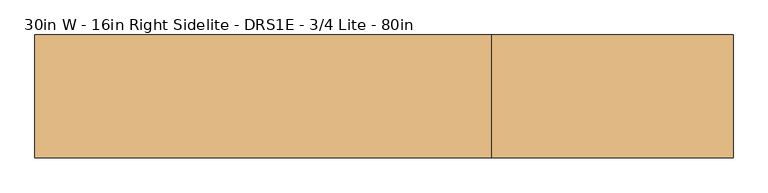
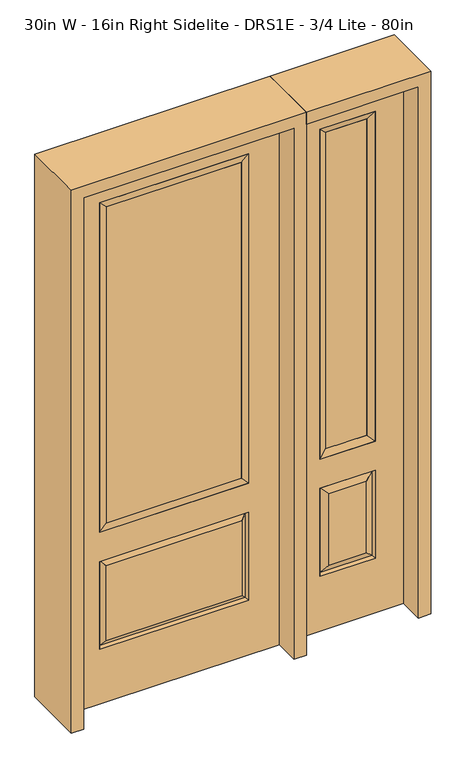
"""IFC4 building model written with IfcOpenShell, lengths in millimetres: door geometry, 30in W - 16in Right Sidelite - DRS1E - 3/4 Lite - 80in."""

from ifc_helpers import new_model, si_unit, frame, origin, place, context, project, spatial, polyline, outline, extrude, faceted_brep, source, transform, mapped, element, save


def door_30in_w_16in_right_sidelite_drs1e_3_4_lite_80in_d333917b(model_context):
    return source(origin(), model_context, "Body", "SolidModel", [
        faceted_brep([(425.45, -22.225, 0.0), (831.85, -22.225, 0.0), (831.85, -22.225, 2032.0), (425.45, -22.225, 2032.0), (728.98, -22.225, 1919.224), (728.98, -22.225, 657.098), (528.32, -22.225, 657.098), (528.32, -22.225, 1919.224), (728.98, -22.225, 209.55), (528.32, -22.225, 209.55), (528.32, -22.225, 546.1), (728.98, -22.225, 546.1), (560.0351001, -22.225, 241.2651001), (697.2648999, -22.225, 241.2651001), (697.2648999, -22.225, 514.3848999), (560.0351001, -22.225, 514.3848999), (425.45, 22.225, 0.0), (425.45, 22.225, 2032.0), (831.85, 22.225, 2032.0), (831.85, 22.225, 0.0), (728.98, 22.225, 1919.224), (528.32, 22.225, 1919.224), (528.32, 22.225, 657.098), (728.98, 22.225, 657.098), (528.32, 22.225, 209.55), (728.98, 22.225, 209.55), (728.98, 22.225, 546.1), (528.32, 22.225, 546.1), (697.2648999, 22.225, 241.2651001), (560.0351001, 22.225, 241.2651001), (560.0351001, 22.225, 514.3848999), (697.2648999, 22.225, 514.3848999), (721.8711499, 12.7912373, 216.6588501), (535.4288501, 12.7912373, 216.6588501), (535.4288501, 12.7912373, 538.9911499), (721.8711499, 12.7912373, 538.9911499), (535.4288501, -12.7912373, 216.6588501), (721.8711499, -12.7912373, 216.6588501), (535.4288501, -12.7912373, 538.9911499), (721.8711499, -12.7912373, 538.9911499)], [[[0, 1, 2, 3], [4, 5, 6, 7], [8, 9, 10, 11]], [[12, 13, 14, 15]], [[16, 17, 18, 19], [20, 21, 22, 23], [24, 25, 26, 27]], [[28, 29, 30, 31]], [[1, 0, 16, 19]], [[2, 1, 19, 18]], [[3, 2, 18, 17]], [[0, 3, 17, 16]], [[5, 4, 20, 23]], [[6, 5, 23, 22]], [[7, 6, 22, 21]], [[4, 7, 21, 20]], [[32, 33, 29, 28]], [[33, 32, 25, 24]], [[29, 33, 34, 30]], [[33, 24, 27, 34]], [[30, 34, 35, 31]], [[34, 27, 26, 35]], [[32, 28, 31, 35]], [[25, 32, 35, 26]], [[12, 36, 37, 13]], [[37, 36, 9, 8]], [[36, 12, 15, 38]], [[9, 36, 38, 10]], [[38, 15, 14, 39]], [[10, 38, 39, 11]], [[13, 37, 39, 14]], [[37, 8, 11, 39]]]),
        faceted_brep([(528.32, 22.225, 1919.224), (528.32, -22.225, 1919.224), (728.98, -22.225, 1919.224), (728.98, 22.225, 1919.224), (553.72, 12.7, 1893.824), (703.58, 12.7, 1893.824), (553.72, -12.7, 1893.824), (703.58, -12.7, 1893.824), (728.98, -22.225, 657.098), (728.98, 22.225, 657.098), (703.58, 12.7, 682.498), (703.58, -12.7, 682.498), (528.32, -22.225, 657.098), (528.32, 22.225, 657.098), (553.72, 12.7, 682.498), (553.72, -12.7, 682.498)], [[[0, 1, 2, 3]], [[4, 0, 3, 5]], [[6, 4, 5, 7]], [[1, 6, 7, 2]], [[3, 2, 8, 9]], [[5, 3, 9, 10]], [[7, 5, 10, 11]], [[2, 7, 11, 8]], [[9, 8, 12, 13]], [[10, 9, 13, 14]], [[11, 10, 14, 15]], [[8, 11, 15, 12]], [[13, 12, 1, 0]], [[14, 13, 0, 4]], [[15, 14, 4, 6]], [[12, 15, 6, 1]]]),
        extrude(outline(polyline([(703.58, -12.7), (553.72, -12.7), (553.72, 12.7), (703.58, 12.7), (703.58, -12.7)])), frame((0.0, 0.0, 682.498), z_axis=(0.0, 0.0, 1.0), x_axis=(1.0, 0.0, 0.0)), (0.0, 0.0, 1.0), 1211.326),
        faceted_brep([(-262.7661499, -12.7912373, 216.6588501), (262.7661499, -12.7912373, 216.6588501), (245.26875, -22.225, 234.15625), (-245.26875, -22.225, 234.15625), (-269.875, -22.225, 209.55), (269.875, -22.225, 209.55), (-262.7661499, -12.7912373, 538.9911499), (-269.875, -22.225, 546.1), (245.26875, -22.225, 521.49375), (-245.26875, -22.225, 521.49375), (381.0, -22.225, 2032.0), (-381.0, -22.225, 2032.0), (-381.0, -22.225, 0.0), (381.0, -22.225, 0.0), (269.875, -22.225, 546.1), (269.875, -22.225, 1917.7), (269.875, -22.225, 657.098), (-269.875, -22.225, 657.098), (-269.875, -22.225, 1917.7), (262.7661499, -12.7912373, 538.9911499), (-381.0, 22.225, 2032.0), (-381.0, 22.225, 0.0), (381.0, 22.225, 0.0), (381.0, 22.225, 2032.0), (269.875, 22.225, 1917.7), (269.875, 22.225, 657.098), (-269.875, 22.225, 657.098), (-269.875, 22.225, 1917.7), (-269.875, 22.225, 209.55), (269.875, 22.225, 209.55), (269.875, 22.225, 546.1), (-269.875, 22.225, 546.1), (245.26875, 22.225, 234.15625), (-245.26875, 22.225, 234.15625), (-245.26875, 22.225, 521.49375), (245.26875, 22.225, 521.49375), (-262.7661499, 12.7912373, 216.6588501), (262.7661499, 12.7912373, 216.6588501), (262.7661499, 12.7912373, 538.9911499), (-262.7661499, 12.7912373, 538.9911499)], [[[0, 1, 2, 3]], [[1, 0, 4, 5]], [[4, 0, 6, 7]], [[3, 2, 8, 9]], [[10, 11, 12, 13], [5, 4, 7, 14], [15, 16, 17, 18]], [[1, 5, 14, 19]], [[2, 1, 19, 8]], [[0, 3, 9, 6]], [[7, 6, 19, 14]], [[6, 9, 8, 19]], [[12, 11, 20, 21]], [[13, 12, 21, 22]], [[10, 13, 22, 23]], [[16, 15, 24, 25]], [[17, 16, 25, 26]], [[18, 17, 26, 27]], [[23, 22, 21, 20], [28, 29, 30, 31], [24, 27, 26, 25]], [[32, 33, 34, 35]], [[28, 36, 37, 29]], [[29, 37, 38, 30]], [[39, 31, 30, 38]], [[36, 28, 31, 39]], [[37, 36, 33, 32]], [[33, 36, 39, 34]], [[34, 39, 38, 35]], [[37, 32, 35, 38]], [[11, 10, 23, 20]], [[15, 18, 27, 24]]]),
        faceted_brep([(-269.875, -22.225, 1917.7), (-269.875, 22.225, 1917.7), (-269.875, 22.225, 657.098), (-269.875, -22.225, 657.098), (269.875, 22.225, 657.098), (269.875, -22.225, 657.098), (-244.475, 5.08, 682.498), (244.475, 5.08, 682.498), (269.875, 22.225, 1917.7), (269.875, -22.225, 1917.7), (-244.475, -20.32, 682.498), (244.475, -20.32, 682.498), (-244.475, -20.32, 1892.3), (244.475, -20.32, 1892.3), (-244.475, 5.08, 1892.3), (244.475, 5.08, 1892.3)], [[[0, 1, 2, 3]], [[3, 2, 4, 5]], [[2, 6, 7, 4]], [[5, 4, 8, 9]], [[10, 3, 5, 11]], [[12, 0, 3, 10]], [[11, 5, 9, 13]], [[6, 10, 11, 7]], [[14, 12, 10, 6]], [[7, 11, 13, 15]], [[1, 14, 6, 2]], [[4, 7, 15, 8]], [[9, 8, 1, 0]], [[13, 9, 0, 12]], [[15, 13, 12, 14]], [[8, 15, 14, 1]]]),
        extrude(outline(polyline([(244.475, -20.32), (-244.475, -20.32), (-244.475, 5.08), (244.475, 5.08), (244.475, -20.32)])), frame((0.0, 0.0, 682.498), z_axis=(0.0, 0.0, 1.0), x_axis=(1.0, 0.0, 0.0)), (0.0, 0.0, 1.0), 1209.802),
        extrude(outline(polyline([(2076.45, -425.45), (0.0, -425.45), (0.0, -381.0), (2032.0, -381.0), (2032.0, 381.0), (0.0, 381.0), (0.0, 425.45), (2076.45, 425.45), (2076.45, -425.45)])), frame((0.0, -114.3, 0.0), z_axis=(0.0, 1.0, 0.0), x_axis=(0.0, 0.0, 1.0)), (0.0, 0.0, 1.0), 228.6),
        extrude(outline(polyline([(0.0, 831.85), (0.0, 876.3), (2076.45, 876.3), (2076.45, 425.45), (2032.0, 425.45), (2032.0, 831.85), (0.0, 831.85)])), frame((0.0, -114.3, 0.0), z_axis=(0.0, 1.0, 0.0), x_axis=(0.0, 0.0, 1.0)), (0.0, 0.0, 1.0), 228.6),
    ])


if __name__ == "__main__":
    model = new_model("IFC4")
    model_context = context("Model", 3, world=origin())
    ifc_project = project(units=[si_unit("LENGTHUNIT", "METRE", prefix="MILLI")], contexts=[model_context])
    site = spatial("IfcSite", under=ifc_project)
    building = spatial("IfcBuilding", under=site)
    placement = place(None, origin())
    door_30in_w_16in_right_sidelite_drs1e_3_4_lite_80in_shape = door_30in_w_16in_right_sidelite_drs1e_3_4_lite_80in_d333917b(model_context)
    element("IfcDoor", 1, ObjectType="30in W - 16in Right Sidelite - DRS1E - 3/4 Lite - 80in", at=placement, inside=building, context=model_context, shape_type="MappedRepresentation", body=[
        mapped(door_30in_w_16in_right_sidelite_drs1e_3_4_lite_80in_shape, transform((0.0, 0.0, 0.0), x_axis=(1.0, 0.0, 0.0), y_axis=(0.0, 1.0, 0.0), z_axis=(0.0, 0.0, 1.0))),
    ])
    save(model, "model.ifc")
